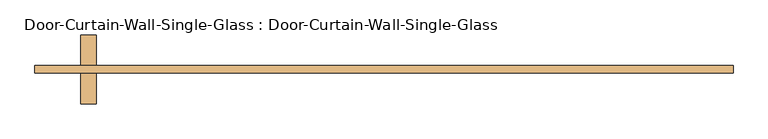
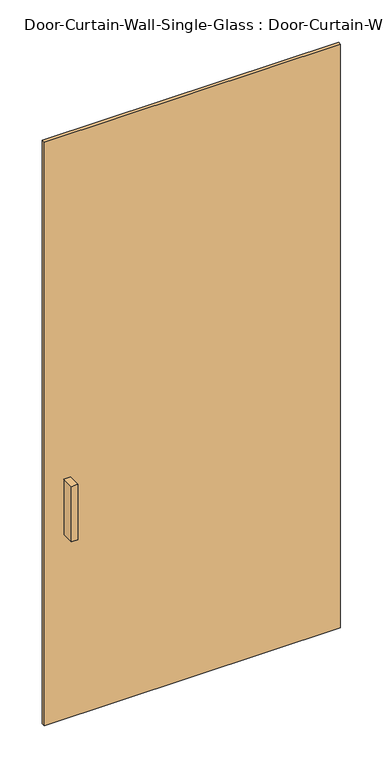
"""IFC4 building model written with IfcOpenShell, lengths in millimetres: door geometry, Door-Curtain-Wall-Single-Glass : Door-Curtain-Wall-Single-Glass."""

from ifc_helpers import new_model, si_unit, frame, origin, origin_with_axes, place, context, project, spatial, polyline, outline, extrude, source, transform, mapped, element, save


def door_curtain_wall_single_glass_door_curtain_wall_single_504ccc21(model_context):
    return source(origin(), model_context, "Body", "SweptSolid", [
        extrude(outline(polyline([(577.85, -50.8), (-577.85, -50.8), (-577.85, -38.1), (577.85, -38.1), (577.85, -50.8)])), origin_with_axes(), (0.0, 0.0, 1.0), 2406.65),
        extrude(outline(polyline([(-476.25, 12.7), (-476.25, -38.1), (-501.65, -38.1), (-501.65, 12.7), (-476.25, 12.7)])), frame((0.0, 0.0, 762.0), z_axis=(0.0, 0.0, 1.0), x_axis=(1.0, 0.0, 0.0)), (0.0, 0.0, 1.0), 228.6),
        extrude(outline(polyline([(-501.65, -101.6), (-501.65, -50.8), (-476.25, -50.8), (-476.25, -101.6), (-501.65, -101.6)])), frame((0.0, 0.0, 762.0), z_axis=(0.0, 0.0, 1.0), x_axis=(1.0, 0.0, 0.0)), (0.0, 0.0, 1.0), 228.6),
    ])


if __name__ == "__main__":
    model = new_model("IFC4")
    model_context = context("Model", 3, world=origin())
    ifc_project = project(units=[si_unit("LENGTHUNIT", "METRE", prefix="MILLI")], contexts=[model_context])
    site = spatial("IfcSite", under=ifc_project)
    building = spatial("IfcBuilding", under=site)
    placement = place(None, origin())
    door_curtain_wall_single_glass_door_curtain_wall_single_shape = door_curtain_wall_single_glass_door_curtain_wall_single_504ccc21(model_context)
    element("IfcDoor", 1, ObjectType="Door-Curtain-Wall-Single-Glass : Door-Curtain-Wall-Single-Glass", at=placement, inside=building, context=model_context, shape_type="MappedRepresentation", body=[
        mapped(door_curtain_wall_single_glass_door_curtain_wall_single_shape, transform((0.0, 0.0, 0.0), x_axis=(1.0, 0.0, 0.0), y_axis=(0.0, 1.0, 0.0), z_axis=(0.0, 0.0, 1.0))),
    ])
    save(model, "model.ifc")
